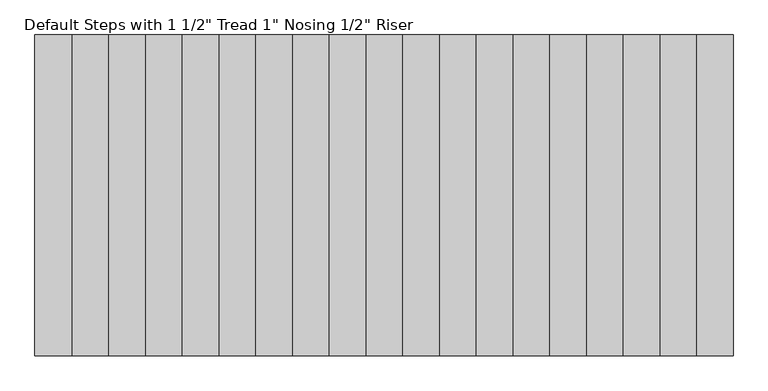
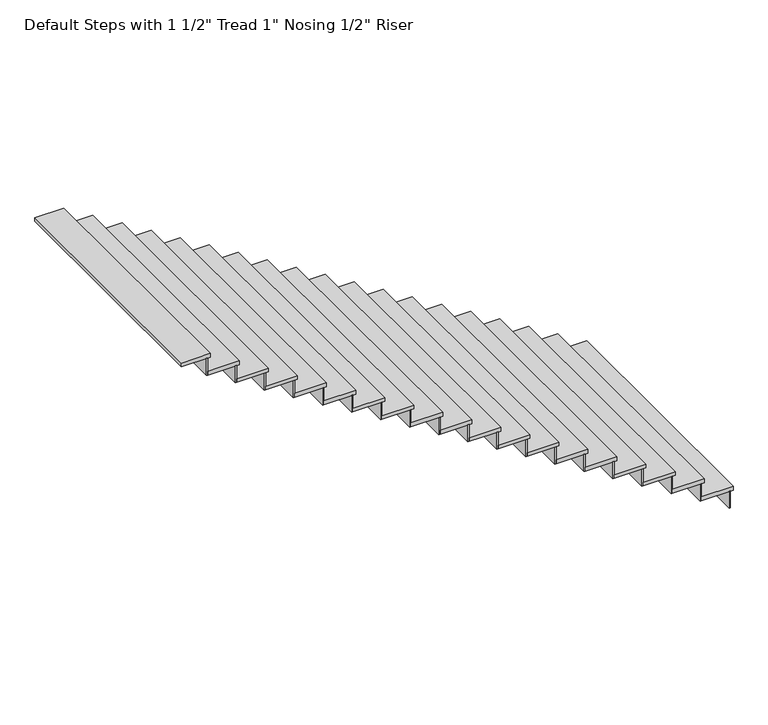
"""IFC4 building model written with IfcOpenShell, lengths in millimetres: stair flight geometry."""

from ifc_helpers import new_model, si_unit, frame, origin, place, context, project, spatial, polyline, outline, extrude, source, transform, mapped, element, save


def stair_flight_72d392db(model_context):
    return source(origin(), model_context, "Body", "SweptSolid", [
        extrude(outline(polyline([(-109833.1699606, 83416.8395559), (-109820.4699606, 83416.8395559), (-109820.4699606, 80978.4395559), (-109833.1699606, 80978.4395559), (-109833.1699606, 83416.8395559)])), frame((0.0, 0.0, 480.6461538), z_axis=(0.0, 0.0, 1.0), x_axis=(1.0, 0.0, 0.0)), (0.0, 0.0, 1.0), 172.9153846),
        extrude(outline(polyline([(-110099.8699606, 80978.4395559), (-110099.8699606, 83416.8395559), (-109795.0699606, 83416.8395559), (-109795.0699606, 80978.4395559), (-110099.8699606, 80978.4395559)])), frame((0.0, 0.0, 653.5615385), z_axis=(0.0, 0.0, 1.0), x_axis=(1.0, 0.0, 0.0)), (0.0, 0.0, 1.0), 38.1),
        extrude(outline(polyline([(-110112.5699606, 83416.8395559), (-110099.8699606, 83416.8395559), (-110099.8699606, 80978.4395559), (-110112.5699606, 80978.4395559), (-110112.5699606, 83416.8395559)])), frame((0.0, 0.0, 653.5615385), z_axis=(0.0, 0.0, 1.0), x_axis=(1.0, 0.0, 0.0)), (0.0, 0.0, 1.0), 172.9153846),
        extrude(outline(polyline([(-110379.2699606, 80978.4395559), (-110379.2699606, 83416.8395559), (-110074.4699606, 83416.8395559), (-110074.4699606, 80978.4395559), (-110379.2699606, 80978.4395559)])), frame((0.0, 0.0, 826.4769231), z_axis=(0.0, 0.0, 1.0), x_axis=(1.0, 0.0, 0.0)), (0.0, 0.0, 1.0), 38.1),
        extrude(outline(polyline([(-110391.9699606, 83416.8395559), (-110379.2699606, 83416.8395559), (-110379.2699606, 80978.4395559), (-110391.9699606, 80978.4395559), (-110391.9699606, 83416.8395559)])), frame((0.0, 0.0, 826.4769231), z_axis=(0.0, 0.0, 1.0), x_axis=(1.0, 0.0, 0.0)), (0.0, 0.0, 1.0), 172.9153846),
        extrude(outline(polyline([(-110658.6699606, 80978.4395559), (-110658.6699606, 83416.8395559), (-110353.8699606, 83416.8395559), (-110353.8699606, 80978.4395559), (-110658.6699606, 80978.4395559)])), frame((0.0, 0.0, 999.3923077), z_axis=(0.0, 0.0, 1.0), x_axis=(1.0, 0.0, 0.0)), (0.0, 0.0, 1.0), 38.1),
        extrude(outline(polyline([(-110671.3699606, 83416.8395559), (-110658.6699606, 83416.8395559), (-110658.6699606, 80978.4395559), (-110671.3699606, 80978.4395559), (-110671.3699606, 83416.8395559)])), frame((0.0, 0.0, 999.3923077), z_axis=(0.0, 0.0, 1.0), x_axis=(1.0, 0.0, 0.0)), (0.0, 0.0, 1.0), 172.9153846),
        extrude(outline(polyline([(-110938.0699606, 80978.4395559), (-110938.0699606, 83416.8395559), (-110633.2699606, 83416.8395559), (-110633.2699606, 80978.4395559), (-110938.0699606, 80978.4395559)])), frame((0.0, 0.0, 1172.3076923), z_axis=(0.0, 0.0, 1.0), x_axis=(1.0, 0.0, 0.0)), (0.0, 0.0, 1.0), 38.1),
        extrude(outline(polyline([(-110950.7699606, 83416.8395559), (-110938.0699606, 83416.8395559), (-110938.0699606, 80978.4395559), (-110950.7699606, 80978.4395559), (-110950.7699606, 83416.8395559)])), frame((0.0, 0.0, 1172.3076923), z_axis=(0.0, 0.0, 1.0), x_axis=(1.0, 0.0, 0.0)), (0.0, 0.0, 1.0), 172.9153846),
        extrude(outline(polyline([(-111217.4699606, 80978.4395559), (-111217.4699606, 83416.8395559), (-110912.6699606, 83416.8395559), (-110912.6699606, 80978.4395559), (-111217.4699606, 80978.4395559)])), frame((0.0, 0.0, 1345.2230769), z_axis=(0.0, 0.0, 1.0), x_axis=(1.0, 0.0, 0.0)), (0.0, 0.0, 1.0), 38.1),
        extrude(outline(polyline([(-111230.1699606, 83416.8395559), (-111217.4699606, 83416.8395559), (-111217.4699606, 80978.4395559), (-111230.1699606, 80978.4395559), (-111230.1699606, 83416.8395559)])), frame((0.0, 0.0, 1345.2230769), z_axis=(0.0, 0.0, 1.0), x_axis=(1.0, 0.0, 0.0)), (0.0, 0.0, 1.0), 172.9153846),
        extrude(outline(polyline([(-111496.8699606, 80978.4395559), (-111496.8699606, 83416.8395559), (-111192.0699606, 83416.8395559), (-111192.0699606, 80978.4395559), (-111496.8699606, 80978.4395559)])), frame((0.0, 0.0, 1518.1384615), z_axis=(0.0, 0.0, 1.0), x_axis=(1.0, 0.0, 0.0)), (0.0, 0.0, 1.0), 38.1),
        extrude(outline(polyline([(-111509.5699606, 83416.8395559), (-111496.8699606, 83416.8395559), (-111496.8699606, 80978.4395559), (-111509.5699606, 80978.4395559), (-111509.5699606, 83416.8395559)])), frame((0.0, 0.0, 1518.1384615), z_axis=(0.0, 0.0, 1.0), x_axis=(1.0, 0.0, 0.0)), (0.0, 0.0, 1.0), 172.9153846),
        extrude(outline(polyline([(-111776.2699606, 80978.4395559), (-111776.2699606, 83416.8395559), (-111471.4699606, 83416.8395559), (-111471.4699606, 80978.4395559), (-111776.2699606, 80978.4395559)])), frame((0.0, 0.0, 1691.0538462), z_axis=(0.0, 0.0, 1.0), x_axis=(1.0, 0.0, 0.0)), (0.0, 0.0, 1.0), 38.1),
        extrude(outline(polyline([(-111788.9699606, 83416.8395559), (-111776.2699606, 83416.8395559), (-111776.2699606, 80978.4395559), (-111788.9699606, 80978.4395559), (-111788.9699606, 83416.8395559)])), frame((0.0, 0.0, 1691.0538462), z_axis=(0.0, 0.0, 1.0), x_axis=(1.0, 0.0, 0.0)), (0.0, 0.0, 1.0), 172.9153846),
        extrude(outline(polyline([(-112055.6699606, 80978.4395559), (-112055.6699606, 83416.8395559), (-111750.8699606, 83416.8395559), (-111750.8699606, 80978.4395559), (-112055.6699606, 80978.4395559)])), frame((0.0, 0.0, 1863.9692308), z_axis=(0.0, 0.0, 1.0), x_axis=(1.0, 0.0, 0.0)), (0.0, 0.0, 1.0), 38.1),
        extrude(outline(polyline([(-112068.3699606, 83416.8395559), (-112055.6699606, 83416.8395559), (-112055.6699606, 80978.4395559), (-112068.3699606, 80978.4395559), (-112068.3699606, 83416.8395559)])), frame((0.0, 0.0, 1863.9692308), z_axis=(0.0, 0.0, 1.0), x_axis=(1.0, 0.0, 0.0)), (0.0, 0.0, 1.0), 172.9153846),
        extrude(outline(polyline([(-112335.0699606, 80978.4395559), (-112335.0699606, 83416.8395559), (-112030.2699606, 83416.8395559), (-112030.2699606, 80978.4395559), (-112335.0699606, 80978.4395559)])), frame((0.0, 0.0, 2036.8846154), z_axis=(0.0, 0.0, 1.0), x_axis=(1.0, 0.0, 0.0)), (0.0, 0.0, 1.0), 38.1),
        extrude(outline(polyline([(-112347.7699606, 83416.8395559), (-112335.0699606, 83416.8395559), (-112335.0699606, 80978.4395559), (-112347.7699606, 80978.4395559), (-112347.7699606, 83416.8395559)])), frame((0.0, 0.0, 2036.8846154), z_axis=(0.0, 0.0, 1.0), x_axis=(1.0, 0.0, 0.0)), (0.0, 0.0, 1.0), 172.9153846),
        extrude(outline(polyline([(-112614.4699606, 80978.4395559), (-112614.4699606, 83416.8395559), (-112309.6699606, 83416.8395559), (-112309.6699606, 80978.4395559), (-112614.4699606, 80978.4395559)])), frame((0.0, 0.0, 2209.8), z_axis=(0.0, 0.0, 1.0), x_axis=(1.0, 0.0, 0.0)), (0.0, 0.0, 1.0), 38.1),
        extrude(outline(polyline([(-112627.1699606, 83416.8395559), (-112614.4699606, 83416.8395559), (-112614.4699606, 80978.4395559), (-112627.1699606, 80978.4395559), (-112627.1699606, 83416.8395559)])), frame((0.0, 0.0, 2209.8), z_axis=(0.0, 0.0, 1.0), x_axis=(1.0, 0.0, 0.0)), (0.0, 0.0, 1.0), 172.9153846),
        extrude(outline(polyline([(-112893.8699606, 80978.4395559), (-112893.8699606, 83416.8395559), (-112589.0699606, 83416.8395559), (-112589.0699606, 80978.4395559), (-112893.8699606, 80978.4395559)])), frame((0.0, 0.0, 2382.7153846), z_axis=(0.0, 0.0, 1.0), x_axis=(1.0, 0.0, 0.0)), (0.0, 0.0, 1.0), 38.1),
        extrude(outline(polyline([(-112906.5699606, 83416.8395559), (-112893.8699606, 83416.8395559), (-112893.8699606, 80978.4395559), (-112906.5699606, 80978.4395559), (-112906.5699606, 83416.8395559)])), frame((0.0, 0.0, 2382.7153846), z_axis=(0.0, 0.0, 1.0), x_axis=(1.0, 0.0, 0.0)), (0.0, 0.0, 1.0), 172.9153846),
        extrude(outline(polyline([(-113173.2699606, 80978.4395559), (-113173.2699606, 83416.8395559), (-112868.4699606, 83416.8395559), (-112868.4699606, 80978.4395559), (-113173.2699606, 80978.4395559)])), frame((0.0, 0.0, 2555.6307692), z_axis=(0.0, 0.0, 1.0), x_axis=(1.0, 0.0, 0.0)), (0.0, 0.0, 1.0), 38.1),
        extrude(outline(polyline([(-113185.9699606, 83416.8395559), (-113173.2699606, 83416.8395559), (-113173.2699606, 80978.4395559), (-113185.9699606, 80978.4395559), (-113185.9699606, 83416.8395559)])), frame((0.0, 0.0, 2555.6307692), z_axis=(0.0, 0.0, 1.0), x_axis=(1.0, 0.0, 0.0)), (0.0, 0.0, 1.0), 172.9153846),
        extrude(outline(polyline([(-113452.6699606, 80978.4395559), (-113452.6699606, 83416.8395559), (-113147.8699606, 83416.8395559), (-113147.8699606, 80978.4395559), (-113452.6699606, 80978.4395559)])), frame((0.0, 0.0, 2728.5461539), z_axis=(0.0, 0.0, 1.0), x_axis=(1.0, 0.0, 0.0)), (0.0, 0.0, 1.0), 38.1),
        extrude(outline(polyline([(-113465.3699606, 83416.8395559), (-113452.6699606, 83416.8395559), (-113452.6699606, 80978.4395559), (-113465.3699606, 80978.4395559), (-113465.3699606, 83416.8395559)])), frame((0.0, 0.0, 2728.5461539), z_axis=(0.0, 0.0, 1.0), x_axis=(1.0, 0.0, 0.0)), (0.0, 0.0, 1.0), 172.9153846),
        extrude(outline(polyline([(-113732.0699606, 80978.4395559), (-113732.0699606, 83416.8395559), (-113427.2699606, 83416.8395559), (-113427.2699606, 80978.4395559), (-113732.0699606, 80978.4395559)])), frame((0.0, 0.0, 2901.4615385), z_axis=(0.0, 0.0, 1.0), x_axis=(1.0, 0.0, 0.0)), (0.0, 0.0, 1.0), 38.1),
        extrude(outline(polyline([(-113744.7699606, 83416.8395559), (-113732.0699606, 83416.8395559), (-113732.0699606, 80978.4395559), (-113744.7699606, 80978.4395559), (-113744.7699606, 83416.8395559)])), frame((0.0, 0.0, 2901.4615385), z_axis=(0.0, 0.0, 1.0), x_axis=(1.0, 0.0, 0.0)), (0.0, 0.0, 1.0), 172.9153846),
        extrude(outline(polyline([(-114011.4699606, 80978.4395559), (-114011.4699606, 83416.8395559), (-113706.6699606, 83416.8395559), (-113706.6699606, 80978.4395559), (-114011.4699606, 80978.4395559)])), frame((0.0, 0.0, 3074.3769231), z_axis=(0.0, 0.0, 1.0), x_axis=(1.0, 0.0, 0.0)), (0.0, 0.0, 1.0), 38.1),
        extrude(outline(polyline([(-114024.1699606, 83416.8395559), (-114011.4699606, 83416.8395559), (-114011.4699606, 80978.4395559), (-114024.1699606, 80978.4395559), (-114024.1699606, 83416.8395559)])), frame((0.0, 0.0, 3074.3769231), z_axis=(0.0, 0.0, 1.0), x_axis=(1.0, 0.0, 0.0)), (0.0, 0.0, 1.0), 172.9153846),
        extrude(outline(polyline([(-114290.8699606, 80978.4395559), (-114290.8699606, 83416.8395559), (-113986.0699606, 83416.8395559), (-113986.0699606, 80978.4395559), (-114290.8699606, 80978.4395559)])), frame((0.0, 0.0, 3247.2923077), z_axis=(0.0, 0.0, 1.0), x_axis=(1.0, 0.0, 0.0)), (0.0, 0.0, 1.0), 38.1),
        extrude(outline(polyline([(-114303.5699606, 83416.8395559), (-114290.8699606, 83416.8395559), (-114290.8699606, 80978.4395559), (-114303.5699606, 80978.4395559), (-114303.5699606, 83416.8395559)])), frame((0.0, 0.0, 3247.2923077), z_axis=(0.0, 0.0, 1.0), x_axis=(1.0, 0.0, 0.0)), (0.0, 0.0, 1.0), 172.9153846),
        extrude(outline(polyline([(-114570.2699606, 80978.4395559), (-114570.2699606, 83416.8395559), (-114265.4699606, 83416.8395559), (-114265.4699606, 80978.4395559), (-114570.2699606, 80978.4395559)])), frame((0.0, 0.0, 3420.2076923), z_axis=(0.0, 0.0, 1.0), x_axis=(1.0, 0.0, 0.0)), (0.0, 0.0, 1.0), 38.1),
        extrude(outline(polyline([(-114582.9699606, 83416.8395559), (-114570.2699606, 83416.8395559), (-114570.2699606, 80978.4395559), (-114582.9699606, 80978.4395559), (-114582.9699606, 83416.8395559)])), frame((0.0, 0.0, 3420.2076923), z_axis=(0.0, 0.0, 1.0), x_axis=(1.0, 0.0, 0.0)), (0.0, 0.0, 1.0), 172.9153846),
        extrude(outline(polyline([(-114849.6699606, 80978.4395559), (-114849.6699606, 83416.8395559), (-114544.8699606, 83416.8395559), (-114544.8699606, 80978.4395559), (-114849.6699606, 80978.4395559)])), frame((0.0, 0.0, 3593.1230769), z_axis=(0.0, 0.0, 1.0), x_axis=(1.0, 0.0, 0.0)), (0.0, 0.0, 1.0), 38.1),
        extrude(outline(polyline([(-114862.3699606, 83416.8395559), (-114849.6699606, 83416.8395559), (-114849.6699606, 80978.4395559), (-114862.3699606, 80978.4395559), (-114862.3699606, 83416.8395559)])), frame((0.0, 0.0, 3593.1230769), z_axis=(0.0, 0.0, 1.0), x_axis=(1.0, 0.0, 0.0)), (0.0, 0.0, 1.0), 172.9153846),
        extrude(outline(polyline([(-115103.6699606, 80978.4395559), (-115103.6699606, 83416.8395559), (-114824.2699606, 83416.8395559), (-114824.2699606, 80978.4395559), (-115103.6699606, 80978.4395559)])), frame((0.0, 0.0, 3766.0384615), z_axis=(0.0, 0.0, 1.0), x_axis=(1.0, 0.0, 0.0)), (0.0, 0.0, 1.0), 38.1),
    ])


if __name__ == "__main__":
    model = new_model("IFC4")
    model_context = context("Model", 3, world=origin())
    ifc_project = project(units=[si_unit("LENGTHUNIT", "METRE", prefix="MILLI")], contexts=[model_context])
    site = spatial("IfcSite", under=ifc_project)
    building = spatial("IfcBuilding", under=site)
    placement = place(None, origin())
    stair_flight_shape = stair_flight_72d392db(model_context)
    element("IfcStairFlight", 1, ObjectType="Default Steps with 1 1/2\" Tread 1\" Nosing 1/2\" Riser", at=placement, inside=building, context=model_context, shape_type="MappedRepresentation", body=[
        mapped(stair_flight_shape, transform((0.0, 0.0, 0.0), x_axis=(1.0, 0.0, 0.0), y_axis=(0.0, 1.0, 0.0), z_axis=(0.0, 0.0, 1.0))),
    ])
    save(model, "model.ifc")
